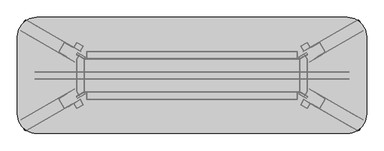
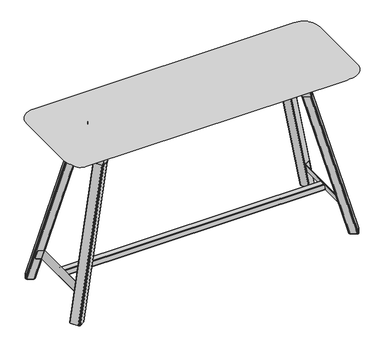
"""IFC4 building model written with IfcOpenShell, lengths in millimetres: furniture geometry."""

from ifc_helpers import new_model, si_unit, origin, place, context, project, spatial, triangles, source, transform, mapped, element, save


def furniture_5aee968c(model_context):
    return source(origin(), model_context, "Body", "Tessellation", [
        triangles([(88.2649976, -320.0399855, 155.5750061), (88.2649976, -289.5599964, 155.5750061), (1740.5350388, -289.5599964, 155.5750061), (1740.5350388, -320.0399855, 155.5750061), (1729.9689686, -320.0399855, 193.6750061), (1729.9689686, -289.5599964, 193.6750061), (98.8310678, -289.5599964, 193.6750061), (98.8310678, -320.0399855, 193.6750061), (1739.4784172, -323.85, 159.3850024), (1731.0255901, -323.85, 189.8649915), (97.7744553, -323.85, 189.8649915), (89.32161, -323.85, 159.3850024), (98.6852282, -321.971699, 193.1490026), (1730.1147446, -321.971699, 193.1489844), (1730.5045464, -323.3545361, 191.7438013), (98.2954264, -323.3545361, 191.7438013), (1730.1147446, -287.6282829, 193.1489844), (98.6852282, -287.628301, 193.1490026), (98.2954264, -286.2454458, 191.7438013), (1730.5045464, -286.2454458, 191.7438013), (1731.0255901, -285.75, 189.8649915), (97.7744553, -285.75, 189.8649915), (89.32161, -285.75, 159.3850024), (1739.4784172, -285.75, 159.3850024), (88.8006389, -323.3545361, 157.5061927), (1739.9993156, -323.3545361, 157.5061927), (1740.3891174, -321.971699, 156.1010096), (88.4108371, -321.971699, 156.1010096), (1739.9993156, -286.2454458, 157.5061927), (88.8006389, -286.2454458, 157.5061927), (88.4108371, -287.6282829, 156.1010096), (1740.3891174, -287.628301, 156.1010096), (1744.0125881, -114.3130715, 150.4950018), (1729.9196983, -122.191724, 201.3120944), (1729.9196983, -487.4082942, 201.3120944), (1744.0125881, -495.2869194, 150.4950018), (1726.3659908, -122.3311958, 201.2949988), (1740.4540844, -114.4525343, 150.4950018), (1740.4540844, -495.1474657, 150.4950018), (1726.3659908, -487.2688042, 201.2949988), (1763.0737793, -98.5706912, 196.6328742), (1764.7941685, -101.5368256, 196.6499516), (1773.9764568, -96.4304603, 158.5498063), (1772.2560677, -93.464335, 158.5327107), (1757.7668358, -101.6219857, 201.2949988), (1728.6066971, -118.5354609, 201.2949988), (1730.3270863, -121.5015862, 201.3120944), (1759.487225, -104.588111, 201.3120944), (1766.9808083, -96.5703773, 150.4950018), (1742.6947906, -110.6568085, 150.4950018), (1744.419976, -113.6229338, 150.4950018), (1768.7013428, -99.5365025, 150.5120883), (1726.9806335, -120.1348092, 201.2949988), (1730.0313194, -121.7926386, 201.3120944), (1761.2442398, -103.5708947, 200.9787754), (1759.5238506, -100.6047694, 200.9616979), (1761.0981731, -99.6972213, 199.9967495), (1762.8185623, -102.6633466, 200.0138452), (1764.0447956, -101.9607368, 198.5185876), (1762.3244064, -98.9946115, 198.501492), (1744.1242092, -113.9139861, 150.4950018), (1741.0722153, -112.2582369, 150.4950018), (1774.1749912, -96.326415, 156.6232706), (1772.4546021, -93.3602898, 156.6061749), (1772.1409584, -93.553165, 154.7019125), (1773.8613476, -96.5192903, 154.7190082), (1771.3444954, -94.0249748, 152.9975653), (1773.0648846, -96.9911001, 153.0146609), (1770.1393364, -94.7316904, 151.6521623), (1771.8598709, -97.6978248, 151.6692579), (1768.6381199, -95.607391, 150.7911956), (1770.3586544, -98.5735253, 150.8082912), (1772.2560677, -516.1356832, 158.5327107), (1773.9764568, -513.1695488, 158.5498063), (1764.7941685, -508.0631744, 196.6499516), (1763.0737793, -511.0293088, 196.6328742), (1759.487225, -505.0119072, 201.3120944), (1730.3270863, -488.0984047, 201.3120944), (1728.6066971, -491.0645391, 201.2949988), (1757.7668358, -507.9780052, 201.2949988), (1768.7013428, -510.0634884, 150.5120883), (1744.419976, -495.9770662, 150.4950018), (1742.6947906, -498.9432006, 150.4950018), (1766.9808083, -513.0296227, 150.4950018), (1730.0313194, -487.8073614, 201.3120944), (1726.9806335, -489.4651817, 201.2949988), (1759.5238506, -508.9952396, 200.9616979), (1761.2442398, -506.0291053, 200.9787754), (1762.8185623, -506.9366444, 200.0138452), (1761.0981731, -509.9027787, 199.9967495), (1762.3244064, -510.6053885, 198.501492), (1764.0447956, -507.6392541, 198.5185876), (1744.1242092, -495.6860229, 150.4950018), (1741.0722153, -497.3417722, 150.4950018), (1772.4546021, -516.2397102, 156.6061749), (1774.1749912, -513.2735759, 156.6232706), (1773.8613476, -513.0807097, 154.7190082), (1772.1409584, -516.0468441, 154.7019125), (1771.3444954, -515.5750342, 152.9975653), (1773.0648846, -512.6088999, 153.0146609), (1771.8598709, -511.9021843, 151.6692579), (1770.1393364, -514.8683187, 151.6521623), (1768.6381199, -513.992609, 150.7911956), (1770.3586544, -511.0264747, 150.8082912), (84.7958507, -495.2820868, 150.4950018), (98.8886769, -487.4034253, 201.3120944), (98.8886769, -122.1965656, 201.3120944), (84.7958507, -114.3179132, 150.4950018), (102.4423571, -487.2639716, 201.2949988), (88.3542636, -495.1426332, 150.4950018), (88.3542636, -114.457385, 150.4950018), (102.4423571, -122.3360375, 201.2949988), (56.5523121, -93.4691767, 158.5327107), (54.8318957, -96.4353019, 158.5498063), (64.0141704, -101.5416672, 196.6499516), (65.7345823, -98.5755419, 196.6328742), (69.3211412, -104.5929526, 201.3120944), (98.481289, -121.5064369, 201.3120944), (71.0415576, -101.6268273, 201.2949988), (100.2016963, -118.5403026, 201.2949988), (60.1071097, -99.5413532, 150.5120883), (84.3884628, -113.6277845, 150.4950018), (86.1136118, -110.6616501, 150.4950018), (61.8275215, -96.5752189, 150.4950018), (98.777083, -121.7974893, 201.3120944), (101.8277144, -120.1396599, 201.2949988), (69.2844973, -100.6096111, 200.9616979), (67.5640809, -103.5757454, 200.9787754), (65.9898084, -102.6681973, 200.0138452), (67.7102248, -99.7020629, 199.9967495), (66.4840097, -98.9994532, 198.501492), (64.7635932, -101.9655785, 198.5185876), (84.6842568, -113.9188369, 150.4950018), (87.7361145, -112.2630785, 150.4950018), (56.3537913, -93.3651314, 156.6061749), (54.6333749, -96.3312567, 156.6232706), (54.9469958, -96.524141, 154.7190082), (56.6674123, -93.5580066, 154.7019125), (57.4639116, -94.0298165, 152.9975653), (55.7434952, -96.9959418, 153.0146609), (56.9485679, -97.7026664, 151.6692579), (58.6689843, -94.7365321, 151.6521623), (60.1702054, -95.6122326, 150.7911956), (58.4497889, -98.578367, 150.8082912), (65.7345823, -511.0244762, 196.6328742), (64.0141704, -508.0583419, 196.6499516), (54.8318957, -513.1646799, 158.5498063), (56.5523121, -516.1308143, 158.5327107), (71.0415576, -507.9731727, 201.2949988), (100.2016963, -491.0597065, 201.2949988), (98.481289, -488.0935721, 201.3120944), (69.3211412, -505.0070383, 201.3120944), (61.8275215, -513.0247902, 150.4950018), (86.1136118, -498.9383317, 150.4950018), (84.3884628, -495.9722337, 150.4950018), (60.1071097, -510.0586558, 150.5120883), (98.777083, -487.8025289, 201.3120944), (101.8277144, -489.4603492, 201.2949988), (69.2844973, -508.9903708, 200.9616979), (67.5640809, -506.0242727, 200.9787754), (67.7102248, -509.8979462, 199.9967495), (65.9898084, -506.9318118, 200.0138452), (64.7635932, -507.6344215, 198.5185876), (66.4840097, -510.6005559, 198.501492), (84.6842568, -495.6811541, 150.4950018), (87.7361145, -497.3369033, 150.4950018), (54.6333749, -513.2687433, 156.6232706), (56.3537913, -516.2348777, 156.6061749), (56.6674123, -516.0419752, 154.7019125), (54.9469958, -513.0758772, 154.7190082), (55.7434952, -512.6040673, 153.0146609), (57.4639116, -515.5701653, 152.9975653), (58.6689843, -514.8634498, 151.6521623), (56.9485679, -511.8973517, 151.6692579), (58.4497889, -511.0216421, 150.8082912), (60.1702054, -513.9877765, 150.7911956), (349.2500121, -392.9380068, 965.2000242), (349.2500121, -216.6619932, 965.2000242), (1479.5499516, -216.6619932, 965.2000242), (1479.5499516, -392.9380068, 965.2000242), (1466.85, -392.9380068, 1027.3029922), (1466.85, -429.640999, 1027.3029922), (361.95, -429.640999, 1027.3029922), (361.95, -392.9380068, 1027.3029922), (1466.85, -429.640999, 1028.7), (361.95, -429.640999, 1028.7), (1466.85, -391.540999, 1028.7), (361.95, -216.6619932, 1027.3029922), (361.95, -179.959001, 1027.3029922), (1466.85, -179.959001, 1027.3029922), (1466.85, -216.6619932, 1027.3029922), (1466.85, -179.959001, 1028.7), (1466.85, -218.059001, 1028.7), (361.95, -179.959001, 1028.7), (1466.85, -216.6619932, 1025.5249758), (1466.85, -218.059001, 1025.5249758), (1479.5499516, -218.059001, 1025.5249758), (1479.5499516, -216.6619932, 1025.5249758), (361.95, -216.6619932, 1025.5249758), (1466.85, -392.9380068, 1025.5249758), (361.95, -392.9380068, 1025.5249758), (1479.5499516, -392.9380068, 1025.5249758), (1479.5499516, -391.540999, 1025.5249758), (1466.85, -391.540999, 1025.5249758), (274.242036, -390.5990144, 920.2673744), (233.1529743, -414.3218033, 920.2673744), (259.1258439, -399.3263523, 1028.4110641), (300.2149056, -375.6035634, 1028.4110641), (261.3502357, -468.4326356, 920.2673744), (286.8045868, -453.7365486, 1026.252039), (232.1402454, -417.8394301, 920.2673744), (257.5945783, -403.1433432, 1026.252039), (295.2752543, -451.7789646, 1026.252039), (264.9029622, -469.3144132, 920.2673744), (305.9920421, -445.5916243, 920.2673744), (329.9851633, -431.7391631, 1026.252039), (307.0047709, -442.0739611, 920.2673744), (277.7947625, -391.4807556, 920.2673744), (332.9776405, -427.0785464, 1028.4110641), (303.7676321, -376.485341, 1028.4110641), (312.5065427, -425.9926025, 965.0163872), (354.7983653, -401.5753793, 964.94597), (354.7983653, -401.5753793, 1028.4110641), (327.7320305, -417.2021507, 1028.4110641), (310.7057442, -478.5053493, 1028.4110641), (310.7057442, -478.5053493, 1026.252039), (345.4156895, -458.4655841, 1026.252039), (345.4156895, -458.4655841, 1028.4110641), (245.2777247, -477.7120837, 1026.252039), (245.2777247, -477.7120837, 1028.4110641), (216.0677344, -427.1188783, 1028.4110641), (216.0677344, -427.1188783, 1026.252039), (361.95, -391.540999, 1028.7), (289.5850312, -454.6828208, 1028.4110641), (263.6121616, -469.6782354, 920.2673744), (290.8758317, -454.3189622, 1028.4110641), (262.3092978, -469.3659362, 920.2673744), (288.2821674, -454.3704852, 1028.4110641), (287.3231053, -453.4371846, 1028.4110641), (257.7843741, -401.5467473, 1028.4110641), (231.8114864, -416.5421983, 920.2673744), (258.113115, -402.8439792, 1028.4110641), (232.1924588, -415.25772, 920.2673744), (258.1653284, -400.2623054, 1028.4110641), (333.3063995, -428.375742, 1028.4110641), (307.3335299, -443.3711929, 920.2673744), (306.9525576, -444.6556712, 920.2673744), (332.9254272, -429.6602202, 1028.4110641), (331.9649117, -430.5961733, 1028.4110641), (295.2752543, -451.7789646, 1028.4110641), (329.9851633, -431.7391631, 1028.4110641), (301.5057243, -375.2397048, 1028.4110641), (275.5328547, -390.2351558, 920.2673744), (276.8357185, -390.547455, 920.2673744), (302.8085881, -375.5520041, 1028.4110641), (300.2149056, -233.9964366, 1028.4110641), (259.1258439, -210.2736659, 1028.4110641), (233.1529743, -195.2782149, 920.2673744), (274.242036, -219.0010038, 920.2673744), (232.1402454, -191.7605699, 920.2673744), (257.5945783, -206.4566568, 1026.252039), (286.8045868, -155.8634514, 1026.252039), (261.3502357, -141.1673735, 920.2673744), (329.9851633, -177.8608369, 1026.252039), (305.9920421, -164.0083939, 920.2673744), (264.9029622, -140.2855959, 920.2673744), (295.2752543, -157.8210354, 1026.252039), (332.9776405, -182.5214717, 1028.4110641), (303.7676321, -233.1146772, 1028.4110641), (277.7947625, -218.1192262, 920.2673744), (307.0047709, -167.5260208, 920.2673744), (216.0677344, -182.4811036, 1026.252039), (216.0677344, -182.4811036, 1028.4110641), (245.2777247, -131.8879072, 1028.4110641), (245.2777247, -131.8879072, 1026.252039), (290.8758317, -155.2810378, 1028.4110641), (263.6121616, -139.9217464, 920.2673744), (289.5850312, -154.9171974, 1028.4110641), (262.3092978, -140.2340547, 920.2673744), (288.2821674, -155.2294966, 1028.4110641), (287.3231053, -156.1628154, 1028.4110641), (258.113115, -206.7560208, 1028.4110641), (231.8114864, -193.0578017, 920.2673744), (257.7843741, -208.0532345, 1028.4110641), (258.1653284, -209.3377128, 1028.4110641), (232.1924588, -194.3422618, 920.2673744), (307.3335299, -166.2288071, 920.2673744), (333.3063995, -181.2242399, 1028.4110641), (306.9525576, -164.9443288, 920.2673744), (332.9254272, -179.9397798, 1028.4110641), (331.9649117, -179.0038267, 1028.4110641), (275.5328547, -219.3648442, 920.2673744), (301.5057243, -234.3602952, 1028.4110641), (302.8085881, -234.0479959, 1028.4110641), (276.8357185, -219.052545, 920.2673744), (263.4104842, -467.6830811, 920.2673744), (233.8194852, -416.4299595, 920.2673744), (305.325513, -443.4834317, 920.2673744), (275.734514, -392.2303102, 920.2673744), (233.8194852, -193.1700223, 920.2673744), (263.4104842, -141.9169189, 920.2673744), (305.325513, -166.1165683, 920.2673744), (275.734514, -217.3696898, 920.2673744), (361.95, -218.059001, 1028.7), (361.95, -218.059001, 1025.5249758), (349.2500121, -216.6619932, 1025.5249758), (349.2500121, -218.059001, 1025.5249758), (349.2500121, -392.9380068, 1025.5249758), (361.95, -391.540999, 1025.5249758), (349.2500121, -391.540999, 1025.5249758), (345.4156895, -151.134425, 1028.4110641), (345.4156895, -151.134425, 1026.252039), (310.7057442, -131.0946326, 1026.252039), (310.7057442, -131.0946326, 1028.4110641), (295.2752543, -157.8210354, 1028.4110641), (329.9851633, -177.8608369, 1028.4110641), (349.2500121, -392.9380068, 1028.6650457), (349.2500121, -392.9380068, 964.94597), (327.7320305, -192.3978493, 1028.4110641), (354.7983653, -208.0246207, 1028.4110641), (312.5065427, -183.6073975, 965.0163872), (354.7983653, -208.0246207, 964.94597), (349.2500121, -216.6619932, 964.94597), (349.2500121, -216.6619932, 1028.6650457), (307.7187535, -417.7582941, 964.9110884), (307.7187535, -191.8416877, 964.9110884), (322.168998, -200.6245092, 1026.5060932), (311.1500121, -219.7100085, 1026.5060932), (311.1500121, -389.8900097, 1026.5060932), (322.168998, -408.975509, 1026.5060932), (322.3595023, -409.305467, 1026.1250845), (311.1500121, -389.8900097, 1028.6650457), (311.1500121, -219.7100085, 1028.6650457), (350.5199927, -218.2918174, 1026.5060932), (350.5199927, -218.2796815, 1028.6650457), (350.5199927, -391.3203366, 1028.6650457), (350.5199927, -391.3081644, 1026.5060932), (322.168998, -200.6245092, 1028.6650457), (322.168998, -408.975509, 1028.6650457), (322.3595023, -200.2945511, 1026.1250845), (349.2500121, -216.6619932, 1026.5060932), (349.2500121, -392.9380068, 1026.5060932), (348.1704995, -217.7697563, 1025.5249758), (324.551992, -204.1335792, 1025.5249758), (309.7725526, -195.6006879, 970.2558929), (322.6442596, -203.0321566, 1023.8499327), (311.680285, -196.7021287, 967.3589767), (348.1704995, -217.7697563, 967.3589767), (348.8690034, -216.5599101, 1025.5249758), (325.2504596, -202.9237511, 1025.5249758), (323.3427272, -201.8223285, 1023.8499327), (310.4710565, -194.3908599, 970.2558929), (349.0527858, -216.6360319, 1025.5249758), (348.6912163, -217.9854408, 1025.5249758), (349.2500121, -216.6619932, 967.3589767), (349.0527858, -216.6360319, 967.3589767), (348.8690034, -216.5599101, 967.3589767), (348.6912163, -217.9854408, 967.3589767), (349.2500121, -218.059001, 967.3589767), (312.3787889, -195.4922825, 967.3589767), (309.701881, -195.5598837, 969.5618946), (311.0822474, -196.3568373, 967.4658016), (309.8160456, -195.6257954, 968.875672), (310.5400566, -196.0438113, 967.7762478), (310.1044364, -195.7922823, 968.2613199), (310.4003849, -194.3500375, 969.5618946), (310.5145494, -194.4159674, 968.875672), (310.8029403, -194.5824543, 968.2613199), (311.2385605, -194.8339651, 967.7762478), (311.7807512, -195.1469911, 967.4658016), (324.6181944, -202.5587116, 1025.4052883), (323.9196905, -203.7685397, 1025.4052883), (324.0521679, -202.2318965, 1025.0586525), (323.353664, -203.4417428, 1025.0586525), (323.6116061, -201.9775516, 1024.521476), (322.9131022, -203.1873978, 1024.521476), (349.2500121, -218.059001, 966.597032), (349.2500121, -391.540999, 966.597032), (349.2500121, -392.9380068, 967.3589767), (349.2500121, -391.540999, 967.3589767), (309.7725526, -413.9992939, 970.2558929), (310.4710565, -415.2091401, 970.2558929), (323.3427272, -407.7776896, 1023.8499327), (322.6442596, -406.5678434, 1023.8499327), (324.551992, -405.4664208, 1025.5249758), (325.2504596, -406.6762671, 1025.5249758), (348.8690034, -393.0400718, 1025.5249758), (348.1704995, -391.8302619, 1025.5249758), (348.6912163, -391.6145774, 1025.5249758), (349.0527858, -392.96395, 1025.5249758), (348.6912163, -391.6145774, 967.3589767), (348.1704995, -391.8302619, 967.3589767), (311.680285, -412.8978713, 967.3589767), (312.3787889, -414.1077175, 967.3589767), (348.8690034, -393.0400718, 967.3589767), (349.0527858, -392.96395, 967.3589767), (323.9196905, -405.8314422, 1025.4052883), (324.6181944, -407.0412884, 1025.4052883), (323.353664, -406.1582754, 1025.0586525), (324.0521679, -407.3680853, 1025.0586525), (322.9131022, -406.4126204, 1024.521476), (323.6116061, -407.6224302, 1024.521476), (311.7807512, -414.4530089, 967.4658016), (310.4003849, -415.2499443, 969.5618946), (310.5145494, -415.1840326, 968.875672), (311.2385605, -414.7660349, 967.7762478), (310.8029403, -415.0175457, 968.2613199), (309.701881, -414.0401344, 969.5618946), (309.8160456, -413.9741864, 968.875672), (310.1044364, -413.8076995, 968.2613199), (310.5400566, -413.5561887, 967.7762478), (311.0822474, -413.2431627, 967.4658016), (1480.6295368, -391.8302619, 1025.5249758), (1504.248008, -405.4664208, 1025.5249758), (1506.1557404, -406.5678434, 1023.8499327), (1519.0274837, -413.9992939, 970.2558929), (1517.1197514, -412.8978713, 967.3589767), (1480.6295368, -391.8302619, 967.3589767), (1479.9310329, -393.0400718, 1025.5249758), (1503.5495041, -406.6762671, 1025.5249758), (1505.4572365, -407.7776896, 1023.8499327), (1518.3289799, -415.2091401, 970.2558929), (1479.7471779, -392.96395, 1025.5249758), (1480.1087837, -391.6145774, 1025.5249758), (1479.5499516, -392.9380068, 967.3589767), (1479.7471779, -392.96395, 967.3589767), (1479.9310329, -393.0400718, 967.3589767), (1480.1087837, -391.6145774, 967.3589767), (1479.5499516, -391.540999, 967.3589767), (1516.4212475, -414.1077175, 967.3589767), (1519.098119, -414.0401344, 969.5618946), (1517.7178253, -413.2431627, 967.4658016), (1518.9838818, -413.9741864, 968.875672), (1518.2599434, -413.5561887, 967.7762478), (1518.6955273, -413.8076995, 968.2613199), (1518.3996151, -415.2499443, 969.5618946), (1518.2853779, -415.1840326, 968.875672), (1517.9970234, -415.0175457, 968.2613199), (1517.5614395, -414.7660349, 967.7762478), (1517.0193214, -414.4530089, 967.4658016), (1504.1817329, -407.0412884, 1025.4052883), (1504.8802368, -405.8314422, 1025.4052883), (1504.7478321, -407.3680853, 1025.0586525), (1505.446336, -406.1582754, 1025.0586525), (1505.1883575, -407.6224302, 1024.521476), (1505.8868614, -406.4126204, 1024.521476), (1479.5499516, -391.540999, 966.597032), (1479.5499516, -218.059001, 966.597032), (1479.5499516, -216.6619932, 967.3589767), (1479.5499516, -218.059001, 967.3589767), (1519.0274837, -195.6006879, 970.2558929), (1518.3289799, -194.3908599, 970.2558929), (1506.1557404, -203.0321566, 1023.8499327), (1505.4572365, -201.8223104, 1023.8499327), (1504.248008, -204.1335792, 1025.5249758), (1503.5495041, -202.9237511, 1025.5249758), (1479.9310329, -216.5599101, 1025.5249758), (1480.6295368, -217.7697563, 1025.5249758), (1480.1087837, -217.9854408, 1025.5249758), (1479.7471779, -216.6360319, 1025.5249758), (1480.1087837, -217.9854408, 967.3589767), (1480.6295368, -217.7697563, 967.3589767), (1517.1197514, -196.7021287, 967.3589767), (1516.4212475, -195.4922825, 967.3589767), (1479.9310329, -216.5599101, 967.3589767), (1479.7471779, -216.6360319, 967.3589767), (1504.8802368, -203.7685397, 1025.4052883), (1504.1817329, -202.5587116, 1025.4052883), (1505.446336, -203.4417428, 1025.0586525), (1504.7478321, -202.2318965, 1025.0586525), (1505.8868614, -203.1873978, 1024.521476), (1505.1883575, -201.9775516, 1024.521476), (1518.3996151, -194.3500375, 969.5618946), (1517.0193214, -195.1469911, 967.4658016), (1518.2853779, -194.4159492, 968.875672), (1517.5614395, -194.8339651, 967.7762478), (1517.9970234, -194.5824543, 968.2613199), (1519.098119, -195.5598837, 969.5618946), (1518.9838818, -195.6257954, 968.875672), (1518.6955273, -195.7922823, 968.2613199), (1518.2599434, -196.0437932, 967.7762478), (1517.7178253, -196.3568191, 967.4658016), (1554.5580185, -219.0010038, 920.2673744), (1595.6470802, -195.2782149, 920.2673744), (1569.6741016, -210.2736659, 1028.4110641), (1528.5850399, -233.9964548, 1028.4110641), (1567.4498188, -141.1673735, 920.2673744), (1541.9954132, -155.8634514, 1026.252039), (1571.2054035, -206.4566568, 1026.252039), (1596.6598091, -191.7605699, 920.2673744), (1533.5247093, -157.8210536, 1026.252039), (1563.8969833, -140.2855959, 920.2673744), (1522.8079216, -164.0083939, 920.2673744), (1498.814764, -177.8608369, 1026.252039), (1521.7951927, -167.5260208, 920.2673744), (1551.005183, -218.1192262, 920.2673744), (1525.0323498, -233.1146772, 1028.4110641), (1495.8223595, -182.5214717, 1028.4110641), (1516.2934937, -183.6073975, 965.0163872), (1474.0015984, -208.0246207, 964.94597), (1501.0679695, -192.3978674, 1028.4110641), (1474.0015984, -208.0246207, 1028.4110641), (1518.0942558, -131.0946326, 1028.4110641), (1518.0942558, -131.0946326, 1026.252039), (1483.3843105, -151.134425, 1026.252039), (1483.3843105, -151.134425, 1028.4110641), (1583.5222389, -131.8879072, 1026.252039), (1583.5222389, -131.8879072, 1028.4110641), (1612.7322292, -182.4811036, 1028.4110641), (1612.7322292, -182.4811036, 1026.252039), (1539.2149143, -154.9171974, 1028.4110641), (1565.1878929, -139.9217464, 920.2673744), (1537.9241501, -155.2810378, 1028.4110641), (1566.4907204, -140.2340547, 920.2673744), (1540.5178871, -155.2294966, 1028.4110641), (1541.4768402, -156.1628154, 1028.4110641), (1571.0155895, -208.0532345, 1028.4110641), (1596.9885681, -193.0578017, 920.2673744), (1570.6868305, -206.7560208, 1028.4110641), (1596.6074867, -194.3422618, 920.2673744), (1570.6346535, -209.3377128, 1028.4110641), (1495.4936005, -181.224258, 1028.4110641), (1521.4664337, -166.2288071, 920.2673744), (1521.8475151, -164.9443288, 920.2673744), (1495.8745365, -179.9397798, 1028.4110641), (1496.8350883, -179.0038267, 1028.4110641), (1533.5247093, -157.8210536, 1028.4110641), (1498.814764, -177.8608369, 1028.4110641), (1527.2942757, -234.3602952, 1028.4110641), (1553.2671089, -219.3648442, 920.2673744), (1551.9642815, -219.052545, 920.2673744), (1525.9914482, -234.0479959, 1028.4110641), (1528.5850399, -375.6035634, 1028.4110641), (1569.6741016, -399.3263523, 1028.4110641), (1595.6470802, -414.3218033, 920.2673744), (1554.5580185, -390.5990144, 920.2673744), (1596.6598091, -417.8394301, 920.2673744), (1571.2054035, -403.1433432, 1026.252039), (1567.4498188, -468.4326356, 920.2673744), (1541.9954132, -453.7365486, 1026.252039), (1498.814764, -431.7391631, 1026.252039), (1522.8079216, -445.5916243, 920.2673744), (1563.8969833, -469.3144132, 920.2673744), (1533.5247093, -451.7789646, 1026.252039), (1495.8223595, -427.0785464, 1028.4110641), (1525.0323498, -376.485341, 1028.4110641), (1551.005183, -391.4807556, 920.2673744), (1521.7951927, -442.0739611, 920.2673744), (1612.7322292, -427.1188783, 1026.252039), (1612.7322292, -427.1188783, 1028.4110641), (1583.5222389, -477.7120837, 1028.4110641), (1583.5222389, -477.7120837, 1026.252039), (1537.9241501, -454.3189622, 1028.4110641), (1565.1878929, -469.6782718, 920.2673744), (1539.2149143, -454.6828208, 1028.4110641), (1540.5178871, -454.3704852, 1028.4110641), (1566.4907204, -469.3659362, 920.2673744), (1541.4768402, -453.4371846, 1028.4110641), (1570.6868305, -402.8439792, 1028.4110641), (1596.9885681, -416.5421983, 920.2673744), (1571.0155895, -401.5467473, 1028.4110641), (1596.6074867, -415.25772, 920.2673744), (1570.6346535, -400.2623054, 1028.4110641), (1521.4664337, -443.3711929, 920.2673744), (1495.4936005, -428.375742, 1028.4110641), (1495.8745365, -429.6602202, 1028.4110641), (1521.8475151, -444.6556712, 920.2673744), (1496.8350883, -430.5961733, 1028.4110641), (1553.2671089, -390.2351558, 920.2673744), (1527.2942757, -375.2397048, 1028.4110641), (1551.9642815, -390.547455, 920.2673744), (1525.9914482, -375.5520041, 1028.4110641), (1565.3894794, -141.9169189, 920.2673744), (1594.9805511, -193.1700405, 920.2673744), (1523.4744507, -166.1165683, 920.2673744), (1553.0655224, -217.3696898, 920.2673744), (1594.9805511, -416.4299595, 920.2673744), (1565.3894794, -467.6830811, 920.2673744), (1523.4744507, -443.4834317, 920.2673744), (1553.0655224, -392.2303102, 920.2673744), (1483.3843105, -458.4655841, 1028.4110641), (1483.3843105, -458.4655841, 1026.252039), (1518.0942558, -478.5053493, 1028.4110641), (1518.0942558, -478.5053493, 1026.252039), (1533.5247093, -451.7789646, 1028.4110641), (1498.814764, -431.7391631, 1028.4110641), (1479.5499516, -216.6619932, 1028.6650457), (1479.5499516, -216.6619932, 964.94597), (1501.0679695, -417.2021507, 1028.4110641), (1474.0015984, -401.5753793, 1028.4110641), (1474.0015984, -401.5753793, 964.94597), (1516.2934937, -425.9926025, 965.0163872), (1479.5499516, -392.9380068, 964.94597), (1479.5499516, -392.9380068, 1028.6650457), (1521.0812828, -191.8417059, 964.9110884), (1521.0812828, -417.7582941, 964.9110884), (1506.631002, -408.975509, 1026.5060932), (1517.6499516, -389.8900097, 1026.5060932), (1517.6499516, -219.7100085, 1026.5060932), (1506.631002, -200.6245092, 1026.5060932), (1506.4404613, -200.2945511, 1026.1250845), (1517.6499516, -219.7100085, 1028.6650457), (1517.6499516, -389.8900097, 1028.6650457), (1478.2799709, -391.3081644, 1026.5060932), (1478.2799709, -391.3203366, 1028.6650457), (1478.2799709, -218.2796815, 1028.6650457), (1478.2799709, -218.2918174, 1026.5060932), (1506.631002, -408.975509, 1028.6650457), (1506.631002, -200.6245092, 1028.6650457), (1506.4404613, -409.305467, 1026.1250845), (1479.5499516, -392.9380068, 1026.5060932), (1479.5499516, -216.6619932, 1026.5060932)], [[1, 2, 3], [1, 3, 4], [5, 6, 7], [5, 7, 8], [9, 10, 11], [9, 11, 12], [5, 8, 13], [5, 13, 14], [13, 14, 15], [13, 15, 16], [15, 16, 11], [15, 11, 10], [17, 18, 7], [17, 7, 6], [19, 20, 17], [19, 17, 18], [21, 22, 19], [21, 19, 20], [23, 22, 21], [23, 21, 24], [9, 12, 25], [9, 25, 26], [25, 26, 27], [25, 27, 28], [27, 28, 1], [27, 1, 4], [29, 30, 23], [29, 23, 24], [31, 32, 29], [31, 29, 30], [3, 2, 31], [3, 31, 32], [33, 34, 35], [33, 35, 36], [37, 38, 39], [37, 39, 40], [41, 42, 43], [41, 43, 44], [45, 46, 47], [45, 47, 48], [49, 50, 51], [49, 51, 52], [47, 46, 53], [47, 53, 54], [53, 54, 34], [53, 34, 37], [34, 37, 40], [34, 40, 35], [45, 48, 55], [45, 55, 56], [55, 56, 57], [55, 57, 58], [57, 58, 59], [57, 59, 60], [59, 60, 42], [60, 41, 42], [48, 47, 51], [48, 51, 52], [34, 33, 61], [34, 61, 54], [61, 54, 47], [61, 47, 51], [51, 50, 62], [51, 62, 61], [62, 61, 33], [62, 33, 38], [38, 33, 36], [38, 36, 39], [46, 50, 62], [46, 62, 53], [62, 53, 37], [62, 37, 38], [44, 43, 63], [44, 63, 64], [63, 64, 65], [63, 65, 66], [65, 66, 67], [66, 68, 67], [68, 67, 69], [68, 69, 70], [69, 70, 71], [70, 72, 71], [72, 71, 49], [72, 49, 52], [48, 52, 72], [48, 72, 70], [42, 59, 43], [59, 63, 43], [48, 70, 68], [48, 68, 55], [68, 55, 58], [68, 58, 66], [58, 66, 63], [58, 63, 59], [46, 45, 49], [46, 49, 50], [73, 74, 75], [73, 75, 76], [77, 78, 79], [77, 79, 80], [81, 82, 83], [81, 83, 84], [85, 86, 79], [85, 79, 78], [40, 35, 85], [40, 85, 86], [87, 88, 80], [88, 77, 80], [89, 90, 87], [89, 87, 88], [91, 92, 90], [92, 89, 90], [75, 76, 91], [75, 91, 92], [81, 82, 78], [81, 78, 77], [85, 93, 35], [93, 36, 35], [82, 78, 93], [78, 85, 93], [93, 94, 83], [93, 83, 82], [39, 36, 93], [39, 93, 94], [86, 94, 83], [86, 83, 79], [39, 40, 86], [39, 86, 94], [95, 96, 74], [95, 74, 73], [97, 98, 95], [97, 95, 96], [99, 100, 97], [99, 97, 98], [101, 102, 99], [101, 99, 100], [103, 104, 101], [103, 101, 102], [81, 84, 103], [81, 103, 104], [101, 104, 77], [104, 81, 77], [74, 96, 75], [96, 92, 75], [88, 100, 77], [100, 101, 77], [97, 89, 100], [89, 88, 100], [92, 96, 89], [96, 97, 89], [83, 84, 80], [83, 80, 79], [105, 106, 107], [105, 107, 108], [109, 110, 111], [109, 111, 112], [113, 114, 115], [113, 115, 116], [117, 118, 119], [118, 120, 119], [121, 122, 123], [121, 123, 124], [125, 126, 120], [125, 120, 118], [112, 107, 125], [112, 125, 126], [106, 109, 112], [106, 112, 107], [127, 128, 117], [127, 117, 119], [129, 130, 127], [129, 127, 128], [131, 132, 129], [131, 129, 130], [115, 116, 131], [115, 131, 132], [121, 122, 118], [121, 118, 117], [125, 133, 108], [125, 108, 107], [122, 118, 125], [122, 125, 133], [133, 134, 123], [133, 123, 122], [111, 108, 133], [111, 133, 134], [110, 105, 108], [110, 108, 111], [126, 134, 123], [126, 123, 120], [111, 112, 126], [111, 126, 134], [135, 136, 114], [135, 114, 113], [137, 138, 135], [137, 135, 136], [139, 140, 137], [139, 137, 138], [141, 142, 139], [141, 139, 140], [143, 144, 141], [143, 141, 142], [121, 124, 143], [121, 143, 144], [141, 144, 121], [141, 121, 117], [114, 136, 132], [114, 132, 115], [128, 140, 141], [128, 141, 117], [137, 129, 128], [137, 128, 140], [132, 136, 137], [132, 137, 129], [123, 124, 120], [124, 119, 120], [145, 146, 147], [145, 147, 148], [149, 150, 151], [149, 151, 152], [153, 154, 155], [153, 155, 156], [151, 150, 157], [150, 158, 157], [158, 157, 106], [158, 106, 109], [149, 152, 159], [152, 160, 159], [160, 159, 161], [160, 161, 162], [161, 162, 163], [161, 163, 164], [163, 164, 145], [163, 145, 146], [152, 151, 155], [152, 155, 156], [106, 105, 165], [106, 165, 157], [165, 157, 151], [165, 151, 155], [155, 154, 165], [154, 166, 165], [166, 165, 105], [166, 105, 110], [150, 154, 166], [150, 166, 158], [166, 158, 109], [166, 109, 110], [148, 147, 167], [148, 167, 168], [167, 168, 169], [167, 169, 170], [169, 170, 171], [169, 171, 172], [171, 172, 173], [171, 173, 174], [173, 174, 175], [173, 175, 176], [175, 176, 153], [175, 153, 156], [152, 156, 175], [152, 175, 174], [146, 163, 147], [163, 167, 147], [152, 174, 171], [152, 171, 160], [171, 160, 162], [171, 162, 170], [162, 170, 167], [162, 167, 163], [150, 149, 153], [150, 153, 154], [177, 178, 179], [177, 179, 180], [181, 182, 183], [181, 183, 184], [182, 185, 186], [182, 186, 183], [187, 185, 181], [185, 182, 181], [188, 189, 190], [188, 190, 191], [191, 190, 192], [191, 192, 193], [189, 194, 192], [189, 192, 190], [191, 193, 195], [193, 196, 195], [197, 198, 195], [197, 195, 196], [179, 195, 198], [199, 188, 191], [199, 191, 195], [195, 179, 178], [195, 178, 199], [200, 180, 177], [200, 177, 201], [180, 200, 202], [202, 203, 204], [202, 204, 200], [200, 204, 187], [200, 187, 181], [184, 201, 200], [184, 200, 181], [205, 206, 207], [205, 207, 208], [209, 210, 211], [210, 212, 211], [213, 214, 215], [213, 215, 216], [217, 218, 219], [218, 220, 219], [221, 222, 223], [221, 223, 224], [225, 226, 227], [225, 227, 228], [229, 230, 231], [229, 231, 232], [184, 183, 186], [184, 186, 233], [234, 235, 214], [234, 214, 236], [237, 238, 234], [237, 234, 235], [239, 209, 237], [239, 237, 238], [240, 241, 211], [240, 211, 242], [243, 244, 240], [243, 240, 241], [207, 206, 243], [207, 243, 244], [210, 239, 230], [210, 230, 229], [212, 242, 231], [212, 231, 232], [210, 229, 232], [210, 232, 212], [245, 246, 217], [245, 217, 219], [247, 248, 246], [248, 245, 246], [249, 215, 247], [249, 247, 248], [213, 226, 225], [213, 225, 250], [228, 227, 216], [228, 216, 251], [252, 253, 205], [252, 205, 208], [254, 255, 253], [255, 252, 253], [220, 218, 254], [220, 254, 255], [256, 257, 258], [256, 258, 259], [260, 261, 262], [260, 262, 263], [264, 265, 266], [264, 266, 267], [268, 269, 270], [268, 270, 271], [272, 273, 274], [272, 274, 275], [276, 266, 277], [276, 277, 278], [277, 278, 279], [278, 280, 279], [280, 279, 263], [280, 263, 281], [282, 260, 283], [282, 283, 284], [283, 284, 285], [283, 285, 286], [285, 286, 258], [285, 258, 257], [275, 274, 281], [275, 281, 262], [272, 273, 282], [272, 282, 261], [261, 272, 275], [261, 275, 262], [268, 271, 287], [268, 287, 288], [287, 288, 289], [288, 290, 289], [290, 289, 265], [290, 265, 291], [256, 259, 292], [256, 292, 293], [292, 293, 294], [292, 294, 295], [294, 295, 270], [294, 270, 269], [296, 209, 297], [209, 211, 297], [214, 296, 215], [296, 298, 215], [235, 214, 296], [237, 235, 296], [209, 237, 296], [217, 298, 299], [217, 299, 218], [246, 217, 298], [247, 246, 298], [215, 247, 298], [299, 218, 254], [299, 254, 253], [299, 253, 205], [206, 297, 299], [206, 299, 205], [241, 211, 297], [243, 241, 297], [206, 243, 297], [300, 260, 263], [300, 263, 301], [265, 302, 301], [265, 301, 266], [301, 266, 277], [301, 277, 279], [301, 279, 263], [270, 303, 302], [270, 302, 271], [302, 271, 287], [302, 287, 289], [302, 289, 265], [295, 270, 303], [292, 295, 303], [259, 292, 303], [259, 303, 300], [259, 300, 258], [300, 260, 283], [300, 283, 286], [300, 286, 258], [304, 194, 189], [304, 189, 188], [199, 305, 304], [199, 304, 188], [305, 199, 306], [305, 306, 307], [306, 199, 178], [308, 201, 177], [201, 309, 310], [201, 310, 308], [184, 233, 309], [184, 309, 201], [213, 216, 227], [213, 227, 226], [311, 312, 313], [311, 313, 314], [315, 314, 313], [315, 313, 267], [316, 264, 312], [316, 312, 311], [313, 312, 264], [313, 264, 267], [214, 213, 250], [214, 250, 236], [251, 216, 249], [216, 215, 249], [266, 276, 315], [266, 315, 267], [264, 316, 291], [265, 264, 291], [317, 223, 222], [317, 222, 318], [319, 320, 321], [320, 322, 321], [323, 322, 320], [323, 320, 324], [325, 318, 222], [325, 222, 221], [323, 326, 321], [323, 321, 322], [327, 328, 329], [327, 329, 330], [331, 317, 318], [331, 318, 325], [329, 332, 333], [329, 333, 328], [334, 335, 336], [334, 336, 337], [328, 333, 338], [328, 338, 327], [332, 329, 339], [329, 330, 339], [327, 334, 337], [327, 337, 330], [324, 340, 326], [324, 326, 323], [339, 330, 337], [339, 337, 336], [335, 334, 327], [335, 327, 338], [324, 335, 334], [324, 334, 341], [337, 336, 317], [337, 317, 342], [343, 344, 345], [344, 346, 345], [345, 347, 343], [347, 348, 343], [343, 349, 350], [343, 350, 344], [346, 351, 352], [346, 352, 345], [307, 306, 353], [307, 353, 354], [343, 354, 353], [343, 353, 349], [353, 306, 355], [353, 355, 356], [356, 357, 353], [357, 349, 353], [307, 354, 358], [307, 358, 359], [348, 358, 354], [348, 354, 343], [347, 360, 348], [360, 357, 348], [358, 348, 357], [358, 357, 356], [358, 356, 355], [358, 355, 359], [347, 345, 361], [347, 361, 362], [361, 363, 364], [361, 364, 362], [363, 365, 364], [345, 352, 366], [345, 366, 361], [361, 366, 367], [361, 367, 363], [363, 367, 368], [363, 368, 365], [365, 368, 369], [365, 369, 364], [364, 369, 370], [364, 370, 362], [362, 370, 360], [362, 360, 347], [349, 357, 360], [349, 360, 352], [352, 360, 370], [352, 370, 366], [366, 370, 369], [366, 369, 367], [367, 369, 368], [349, 352, 350], [352, 351, 350], [344, 350, 371], [344, 371, 372], [372, 371, 373], [372, 373, 374], [374, 373, 375], [374, 375, 376], [376, 375, 351], [376, 351, 346], [350, 351, 375], [350, 375, 371], [371, 375, 373], [372, 374, 376], [344, 372, 376], [344, 376, 346], [377, 178, 378], [178, 177, 378], [359, 355, 178], [359, 178, 377], [378, 177, 379], [378, 379, 380], [381, 382, 383], [381, 383, 384], [385, 386, 387], [385, 387, 388], [308, 310, 389], [308, 389, 390], [390, 389, 388], [390, 388, 387], [389, 310, 380], [389, 380, 391], [391, 392, 389], [392, 388, 389], [384, 385, 381], [385, 388, 381], [393, 381, 388], [393, 388, 392], [394, 393, 395], [393, 392, 395], [395, 392, 391], [395, 391, 396], [396, 391, 380], [396, 380, 379], [396, 379, 308], [396, 308, 390], [390, 387, 395], [390, 395, 396], [387, 386, 383], [387, 383, 382], [382, 394, 387], [394, 395, 387], [386, 385, 397], [386, 397, 398], [398, 397, 399], [398, 399, 400], [400, 399, 401], [400, 401, 402], [402, 401, 384], [402, 384, 383], [385, 384, 401], [385, 401, 397], [397, 401, 399], [398, 400, 402], [386, 398, 402], [386, 402, 383], [394, 382, 403], [382, 404, 403], [404, 405, 406], [404, 406, 403], [405, 407, 406], [382, 381, 408], [382, 408, 404], [404, 408, 409], [404, 409, 405], [405, 409, 410], [405, 410, 407], [407, 410, 411], [407, 411, 406], [406, 411, 412], [406, 412, 403], [403, 412, 393], [403, 393, 394], [381, 393, 412], [381, 412, 408], [408, 412, 411], [408, 411, 409], [409, 411, 410], [413, 414, 415], [413, 415, 416], [416, 417, 418], [416, 418, 413], [413, 419, 414], [419, 420, 414], [415, 421, 422], [415, 422, 416], [203, 202, 423], [203, 423, 424], [413, 424, 423], [413, 423, 419], [423, 202, 425], [423, 425, 426], [426, 427, 419], [426, 419, 423], [203, 424, 428], [203, 428, 429], [418, 428, 413], [428, 424, 413], [417, 430, 427], [417, 427, 418], [428, 418, 427], [428, 427, 426], [428, 426, 429], [426, 425, 429], [417, 416, 431], [417, 431, 432], [431, 433, 434], [431, 434, 432], [433, 435, 434], [416, 422, 436], [416, 436, 431], [431, 436, 437], [431, 437, 433], [433, 437, 438], [433, 438, 435], [435, 438, 439], [435, 439, 434], [434, 439, 440], [434, 440, 432], [432, 440, 430], [432, 430, 417], [419, 427, 422], [427, 430, 422], [422, 430, 440], [422, 440, 436], [436, 440, 439], [436, 439, 437], [437, 439, 438], [419, 422, 421], [419, 421, 420], [414, 420, 441], [414, 441, 442], [442, 441, 443], [442, 443, 444], [444, 443, 445], [444, 445, 446], [446, 445, 421], [446, 421, 415], [420, 421, 445], [420, 445, 441], [441, 445, 443], [442, 444, 446], [414, 442, 446], [414, 446, 415], [447, 180, 448], [180, 179, 448], [429, 425, 447], [425, 180, 447], [448, 179, 449], [448, 449, 450], [451, 452, 453], [452, 454, 453], [455, 456, 457], [455, 457, 458], [198, 197, 459], [198, 459, 460], [460, 459, 458], [460, 458, 457], [459, 197, 450], [459, 450, 461], [461, 462, 458], [461, 458, 459], [453, 455, 451], [455, 458, 451], [463, 451, 458], [463, 458, 462], [464, 463, 462], [464, 462, 465], [465, 462, 466], [462, 461, 466], [466, 461, 449], [461, 450, 449], [466, 449, 460], [449, 198, 460], [460, 457, 465], [460, 465, 466], [457, 456, 454], [457, 454, 452], [452, 464, 465], [452, 465, 457], [456, 455, 467], [456, 467, 468], [468, 467, 469], [468, 469, 470], [470, 469, 471], [470, 471, 472], [472, 471, 453], [472, 453, 454], [455, 453, 471], [455, 471, 467], [467, 471, 469], [468, 470, 472], [456, 468, 472], [456, 472, 454], [464, 452, 473], [464, 473, 474], [473, 475, 476], [473, 476, 474], [475, 477, 476], [452, 451, 473], [451, 478, 473], [473, 478, 475], [478, 479, 475], [475, 479, 477], [479, 480, 477], [477, 480, 476], [480, 481, 476], [476, 481, 474], [481, 482, 474], [474, 482, 464], [482, 463, 464], [451, 463, 482], [451, 482, 478], [478, 482, 481], [478, 481, 479], [479, 481, 480], [337, 342, 331], [337, 331, 330], [327, 340, 341], [327, 341, 334], [483, 484, 485], [483, 485, 486], [487, 488, 489], [487, 489, 490], [491, 492, 493], [491, 493, 494], [495, 496, 497], [495, 497, 498], [499, 500, 501], [500, 502, 501], [503, 504, 505], [503, 505, 506], [507, 508, 509], [507, 509, 510], [511, 512, 492], [511, 492, 513], [514, 515, 512], [515, 511, 512], [516, 487, 514], [516, 514, 515], [517, 518, 490], [517, 490, 519], [520, 521, 517], [520, 517, 518], [485, 484, 520], [485, 520, 521], [488, 516, 508], [488, 508, 507], [489, 519, 509], [489, 509, 510], [488, 507, 510], [488, 510, 489], [522, 523, 495], [522, 495, 498], [524, 525, 523], [525, 522, 523], [526, 493, 524], [526, 524, 525], [491, 504, 503], [491, 503, 527], [506, 505, 528], [505, 494, 528], [529, 530, 483], [529, 483, 486], [531, 532, 529], [531, 529, 530], [497, 496, 531], [497, 531, 532], [533, 534, 535], [533, 535, 536], [537, 538, 539], [538, 540, 539], [541, 542, 543], [541, 543, 544], [545, 546, 547], [545, 547, 548], [549, 550, 551], [549, 551, 552], [553, 543, 554], [553, 554, 555], [554, 555, 556], [554, 556, 557], [556, 557, 539], [556, 539, 558], [559, 537, 560], [559, 560, 561], [560, 561, 562], [561, 563, 562], [563, 562, 535], [563, 535, 534], [552, 551, 558], [552, 558, 540], [549, 550, 559], [549, 559, 538], [538, 549, 552], [538, 552, 540], [545, 548, 564], [545, 564, 565], [564, 565, 566], [564, 566, 567], [566, 567, 542], [566, 542, 568], [533, 536, 569], [533, 569, 570], [569, 570, 571], [570, 572, 571], [572, 571, 547], [572, 547, 546], [573, 487, 490], [573, 490, 574], [492, 573, 575], [492, 575, 493], [512, 492, 573], [514, 512, 573], [487, 514, 573], [495, 575, 576], [495, 576, 496], [523, 495, 575], [524, 523, 575], [493, 524, 575], [576, 496, 531], [576, 531, 530], [576, 530, 483], [484, 574, 576], [484, 576, 483], [518, 490, 574], [520, 518, 574], [484, 520, 574], [577, 537, 539], [577, 539, 578], [542, 579, 578], [542, 578, 543], [578, 543, 554], [578, 554, 557], [578, 557, 539], [547, 580, 579], [547, 579, 548], [579, 548, 564], [579, 564, 567], [579, 567, 542], [571, 547, 580], [569, 571, 580], [536, 569, 580], [536, 580, 535], [580, 577, 535], [577, 537, 560], [577, 560, 562], [577, 562, 535], [491, 494, 505], [491, 505, 504], [581, 582, 583], [582, 584, 583], [585, 583, 584], [585, 584, 544], [586, 541, 582], [586, 582, 581], [584, 582, 544], [582, 541, 544], [492, 491, 527], [492, 527, 513], [528, 494, 526], [494, 493, 526], [543, 553, 585], [543, 585, 544], [541, 586, 568], [542, 541, 568], [587, 502, 500], [587, 500, 588], [589, 590, 591], [589, 591, 592], [593, 591, 594], [591, 590, 594], [595, 588, 500], [595, 500, 499], [593, 596, 592], [593, 592, 591], [597, 598, 599], [597, 599, 600], [601, 587, 588], [601, 588, 595], [599, 602, 603], [599, 603, 598], [604, 605, 606], [604, 606, 607], [598, 603, 608], [598, 608, 597], [602, 599, 600], [602, 600, 609], [597, 604, 607], [597, 607, 600], [594, 610, 596], [594, 596, 593], [609, 600, 607], [609, 607, 606], [605, 604, 597], [605, 597, 608], [594, 605, 604], [594, 604, 611], [607, 606, 587], [607, 587, 612], [607, 612, 601], [607, 601, 600], [597, 610, 611], [597, 611, 604], [187, 204, 309], [187, 309, 233], [310, 203, 447], [310, 447, 378], [307, 377, 448], [307, 448, 197], [196, 193, 304], [196, 304, 305], [377, 378, 447], [377, 447, 448]], closed=False),
        triangles([(1594.7546928, -421.1389744, 920.2673744), (1569.3547897, -465.133055, 920.2673744), (1789.4321995, -592.1948487, 12.7000004), (1814.8322479, -548.2007681, 12.7000004), (1746.3095409, -574.6302958, 12.7000004), (1780.5503288, -594.3992927, 12.7000004), (1560.4729191, -467.337499, 920.2673744), (1526.2319859, -447.5685021, 920.2673744), (1549.1002121, -394.7803362, 920.2673744), (1523.7001637, -438.7744168, 920.2673744), (1743.7777187, -565.8362105, 12.7000004), (1769.1776218, -521.8420936, 12.7000004), (1778.0594925, -519.637686, 12.7000004), (1812.3004257, -539.4066828, 12.7000004), (1592.223016, -412.3448891, 920.2673744), (1557.9820827, -392.5758923, 920.2673744), (1783.7774574, -595.3089028, 12.7000004), (1563.6999023, -468.2471455, 920.2673744), (1566.9571163, -467.4663792, 920.2673744), (1787.0345261, -594.5281365, 12.7000004), (1742.9558212, -569.0792539, 12.7000004), (1522.8784115, -442.0174602, 920.2673744), (1523.8308243, -445.2286377, 920.2673744), (1743.908234, -572.2904314, 12.7000004), (1774.8325092, -518.7280395, 12.7000004), (1554.7550995, -391.6662821, 920.2673744), (1551.4978855, -392.4470484, 920.2673744), (1771.5752953, -519.5088058, 12.7000004), (1594.6241776, -414.6847535, 920.2673744), (1814.7017326, -541.7465472, 12.7000004), (1815.6541454, -544.9577248, 12.7000004), (1595.5765903, -417.8959311, 920.2673744), (1814.8322479, -61.399241, 12.7000004), (1789.4321995, -17.4051501, 12.7000004), (1569.3547897, -144.4669268, 920.2673744), (1594.7546928, -188.4610256, 920.2673744), (1526.2319859, -162.0314797, 920.2673744), (1560.4729191, -142.262501, 920.2673744), (1780.5503288, -15.2007198, 12.7000004), (1746.3095409, -34.9697087, 12.7000004), (1769.1776218, -87.7578974, 12.7000004), (1743.7777187, -43.7638031, 12.7000004), (1523.7001637, -170.8255832, 920.2673744), (1549.1002121, -214.8196638, 920.2673744), (1557.9820827, -217.0241077, 920.2673744), (1592.223016, -197.2551109, 920.2673744), (1812.3004257, -70.1933354, 12.7000004), (1778.0594925, -89.9623231, 12.7000004), (1563.6999023, -141.3528636, 920.2673744), (1783.7774574, -14.2910892, 12.7000004), (1787.0345261, -15.0718601, 12.7000004), (1566.9571163, -142.133639, 920.2673744), (1522.8784115, -167.5825217, 920.2673744), (1742.9558212, -40.5207507, 12.7000004), (1743.908234, -37.3095777, 12.7000004), (1523.8308243, -164.3713623, 920.2673744), (1554.7550995, -217.9337361, 920.2673744), (1774.8325092, -90.8719515, 12.7000004), (1771.5752953, -90.0911852, 12.7000004), (1551.4978855, -217.1529516, 920.2673744), (1814.7017326, -67.8534664, 12.7000004), (1594.6241776, -194.9152465, 920.2673744), (1595.5765903, -191.7040689, 920.2673744), (1815.6541454, -64.6422889, 12.7000004), (13.9761761, -548.1958992, 12.7000004), (39.3761757, -592.1900162, 12.7000004), (259.4452466, -465.133055, 920.2673744), (234.0452345, -421.1389744, 920.2673744), (302.5679415, -447.5685021, 920.2673744), (268.3270627, -467.337499, 920.2673744), (48.2579919, -594.3944238, 12.7000004), (82.4988888, -574.6254633, 12.7000004), (59.6306989, -521.837261, 12.7000004), (85.0307019, -565.8313416, 12.7000004), (305.0997637, -438.7744168, 920.2673744), (279.6997697, -394.7803362, 920.2673744), (270.8179536, -392.5758923, 920.2673744), (236.5770567, -412.3448891, 920.2673744), (16.5079915, -539.4018139, 12.7000004), (50.7488873, -519.6328171, 12.7000004), (265.1000432, -468.2471455, 920.2673744), (45.0309723, -595.3040703, 12.7000004), (41.7738037, -594.523304, 12.7000004), (261.8428655, -467.4663792, 920.2673744), (305.9216249, -442.0174602, 920.2673744), (85.8525722, -569.074385, 12.7000004), (84.9001594, -572.2855625, 12.7000004), (304.9692121, -445.2286377, 920.2673744), (274.0449732, -391.6662821, 920.2673744), (53.9759069, -518.7232069, 12.7000004), (57.2330754, -519.5039732, 12.7000004), (277.3021327, -392.4470484, 920.2673744), (14.1067175, -541.7416783, 12.7000004), (234.1757861, -414.6847535, 920.2673744), (233.2233733, -417.8959311, 920.2673744), (13.1543013, -544.9528559, 12.7000004), (234.0452345, -188.4610256, 920.2673744), (259.4452466, -144.4669268, 920.2673744), (39.3761757, -17.4099952, 12.7000004), (13.9761761, -61.4040872, 12.7000004), (82.4988888, -34.9745549, 12.7000004), (48.2579919, -15.2055649, 12.7000004), (268.3270627, -142.262501, 920.2673744), (302.5679415, -162.0314797, 920.2673744), (279.6997697, -214.8196638, 920.2673744), (305.0997637, -170.8255832, 920.2673744), (85.0307019, -43.7686447, 12.7000004), (59.6306989, -87.762739, 12.7000004), (50.7488873, -89.9671648, 12.7000004), (16.5079915, -70.198177, 12.7000004), (236.5770567, -197.2551109, 920.2673744), (270.8179536, -217.0241077, 920.2673744), (45.0309723, -14.2959343, 12.7000004), (265.1000432, -141.3528636, 920.2673744), (261.8428655, -142.133639, 920.2673744), (41.7738037, -15.0767051, 12.7000004), (85.8525722, -40.5255969, 12.7000004), (305.9216249, -167.5825217, 920.2673744), (304.9692121, -164.3713623, 920.2673744), (84.9001594, -37.3144216, 12.7000004), (53.9759069, -90.8768022, 12.7000004), (274.0449732, -217.9337361, 920.2673744), (277.3021327, -217.1529516, 920.2673744), (57.2330754, -90.0960268, 12.7000004), (234.1757861, -194.9152465, 920.2673744), (14.1067175, -67.8583126, 12.7000004), (13.1543013, -64.647135, 12.7000004), (233.2233733, -191.7040689, 920.2673744)], [[1, 2, 3], [1, 3, 4], [5, 6, 7], [5, 7, 8], [9, 10, 11], [9, 11, 12], [13, 14, 15], [13, 15, 16], [7, 6, 17], [7, 17, 18], [17, 18, 19], [17, 19, 20], [19, 20, 3], [19, 3, 2], [10, 11, 21], [10, 21, 22], [21, 22, 23], [21, 23, 24], [23, 24, 5], [23, 5, 8], [16, 13, 25], [16, 25, 26], [25, 26, 27], [25, 27, 28], [27, 28, 12], [27, 12, 9], [14, 15, 29], [14, 29, 30], [29, 30, 31], [29, 31, 32], [31, 32, 1], [31, 1, 4], [33, 34, 35], [33, 35, 36], [37, 38, 39], [37, 39, 40], [41, 42, 43], [41, 43, 44], [45, 46, 47], [45, 47, 48], [49, 50, 39], [49, 39, 38], [51, 52, 49], [51, 49, 50], [35, 34, 51], [35, 51, 52], [53, 54, 42], [53, 42, 43], [55, 56, 53], [55, 53, 54], [37, 40, 55], [37, 55, 56], [57, 58, 48], [57, 48, 45], [59, 60, 57], [59, 57, 58], [44, 41, 59], [44, 59, 60], [61, 62, 46], [61, 46, 47], [63, 64, 61], [63, 61, 62], [33, 36, 63], [33, 63, 64], [65, 66, 67], [65, 67, 68], [69, 70, 71], [69, 71, 72], [73, 74, 75], [73, 75, 76], [77, 78, 79], [77, 79, 80], [81, 82, 71], [81, 71, 70], [83, 84, 81], [83, 81, 82], [67, 66, 83], [67, 83, 84], [85, 86, 74], [85, 74, 75], [87, 88, 85], [87, 85, 86], [69, 72, 87], [69, 87, 88], [89, 90, 80], [89, 80, 77], [91, 92, 89], [91, 89, 90], [76, 73, 91], [76, 91, 92], [93, 94, 78], [93, 78, 79], [95, 96, 93], [95, 93, 94], [65, 68, 95], [65, 95, 96], [97, 98, 99], [97, 99, 100], [101, 102, 103], [101, 103, 104], [105, 106, 107], [105, 107, 108], [109, 110, 111], [109, 111, 112], [103, 102, 113], [103, 113, 114], [113, 114, 115], [113, 115, 116], [115, 116, 99], [115, 99, 98], [106, 107, 117], [106, 117, 118], [117, 118, 119], [117, 119, 120], [119, 120, 101], [119, 101, 104], [112, 109, 121], [112, 121, 122], [121, 122, 123], [121, 123, 124], [123, 124, 108], [123, 108, 105], [110, 111, 125], [110, 125, 126], [125, 126, 127], [125, 127, 128], [127, 128, 97], [127, 97, 100], [107, 108, 100], [107, 100, 99], [100, 108, 124], [100, 124, 127], [124, 127, 126], [124, 126, 121], [126, 121, 109], [126, 109, 110], [107, 99, 117], [99, 116, 117], [116, 117, 120], [116, 120, 113], [120, 113, 102], [120, 102, 101], [66, 65, 73], [66, 73, 74], [96, 91, 73], [96, 73, 65], [90, 93, 96], [90, 96, 91], [79, 80, 90], [79, 90, 93], [86, 83, 74], [83, 66, 74], [82, 87, 83], [87, 86, 83], [72, 71, 87], [71, 82, 87], [34, 33, 42], [33, 41, 42], [64, 59, 41], [64, 41, 33], [58, 61, 59], [61, 64, 59], [47, 48, 61], [48, 58, 61], [54, 51, 34], [54, 34, 42], [50, 55, 54], [50, 54, 51], [40, 39, 50], [40, 50, 55], [11, 12, 4], [11, 4, 3], [4, 12, 28], [4, 28, 31], [28, 31, 30], [28, 30, 25], [30, 25, 13], [30, 13, 14], [11, 3, 21], [3, 20, 21], [20, 21, 24], [20, 24, 17], [24, 17, 5], [17, 6, 5]], closed=False),
        triangles([(101.600003, 0.0, 1066.8), (101.600003, -609.6, 1066.8), (1727.1999516, -609.6, 1066.8), (1727.1999516, 0.0, 1066.8), (0.0, -507.9999879, 1066.8), (0.0, -101.600003, 1066.8), (0.8692021, -521.2614604, 1066.8), (88.3385396, -608.7307943, 1066.8), (75.3039837, -606.1380747, 1066.8), (3.4619361, -534.2960209, 1066.8), (7.7338393, -546.8806452, 1066.8), (62.7193639, -601.8661697, 1066.8), (50.8000015, -595.9881855, 1066.8), (13.611819, -558.8000121, 1066.8), (20.9953005, -569.8501734, 1066.8), (39.7498402, -588.6046972, 1066.8), (29.7579515, -579.8420417, 1066.8), (88.3385396, -0.8692021, 1066.8), (0.8692021, -88.3385396, 1066.8), (3.4619361, -75.3039837, 1066.8), (75.3039837, -3.4619361, 1066.8), (62.7193639, -7.7338393, 1066.8), (7.7338393, -62.7193639, 1066.8), (13.611819, -50.8000015, 1066.8), (50.8000015, -13.611819, 1066.8), (39.7498402, -20.9953005, 1066.8), (20.9953005, -39.7498402, 1066.8), (29.7579515, -29.7579515, 1066.8), (1828.8, -101.600003, 1066.8), (1828.8, -507.9999879, 1066.8), (1740.4614967, -608.7307943, 1066.8), (1827.930867, -521.2614604, 1066.8), (1825.338002, -534.2960209, 1066.8), (1753.4960209, -606.1380747, 1066.8), (1766.0805725, -601.8661697, 1066.8), (1821.0661697, -546.8806452, 1066.8), (1815.1881855, -558.8000121, 1066.8), (1778.0000484, -595.9881855, 1066.8), (1789.0501007, -588.6046972, 1066.8), (1807.8047699, -569.8501734, 1066.8), (1799.042078, -579.8420417, 1066.8), (1827.930867, -88.3385396, 1066.8), (1740.4614967, -0.8692021, 1066.8), (1753.4960209, -3.4619361, 1066.8), (1825.338002, -75.3039837, 1066.8), (1821.0661697, -62.7193639, 1066.8), (1766.0805725, -7.7338393, 1066.8), (1778.0000484, -13.611819, 1066.8), (1815.1881855, -50.8000015, 1066.8), (1807.8047699, -39.7498402, 1066.8), (1789.0501007, -20.9953005, 1066.8), (1799.042078, -29.7579515, 1066.8), (43.9940897, -507.9999879, 1028.7), (101.600003, -565.6059194, 1028.7), (101.600003, -43.9940897, 1028.7), (43.9940897, -101.600003, 1028.7), (44.4869148, -515.5190784, 1028.7), (94.0809216, -565.1130715, 1028.7), (86.6904934, -563.6430305, 1028.7), (45.956965, -522.9095066, 1028.7), (48.3790782, -530.0448269, 1028.7), (79.5551731, -561.2209036, 1028.7), (72.7970464, -557.8881855, 1028.7), (51.711819, -536.8029536, 1028.7), (55.8981596, -543.0682689, 1028.7), (66.5317448, -553.7018495, 1028.7), (60.8664701, -548.7335117, 1028.7), (94.0809216, -44.4869148, 1028.7), (44.4869148, -94.0809216, 1028.7), (45.956965, -86.6904934, 1028.7), (86.6904934, -45.956965, 1028.7), (79.5551731, -48.3790782, 1028.7), (48.3790782, -79.5551731, 1028.7), (51.711819, -72.7970464, 1028.7), (72.7970464, -51.711819, 1028.7), (66.5317448, -55.8981596, 1028.7), (55.8981596, -66.5317448, 1028.7), (60.8664701, -60.8664701, 1028.7), (1784.805883, -101.600003, 1028.7), (1727.1999516, -43.9940897, 1028.7), (1784.805883, -507.9999879, 1028.7), (1727.1999516, -565.6059194, 1028.7), (1734.7191147, -565.1130715, 1028.7), (1784.3130352, -515.5190784, 1028.7), (1782.8430668, -522.9095066, 1028.7), (1742.1095066, -563.6430305, 1028.7), (1749.2448269, -561.2209036, 1028.7), (1780.4209763, -530.0448269, 1028.7), (1777.0881855, -536.8029536, 1028.7), (1756.00299, -557.8881855, 1028.7), (1762.2683052, -553.7018495, 1028.7), (1772.9018131, -543.0682689, 1028.7), (1767.9335117, -548.7335117, 1028.7), (1784.3130352, -94.0809216, 1028.7), (1734.7191147, -44.4869148, 1028.7), (1742.1095066, -45.956965, 1028.7), (1782.8430668, -86.6904934, 1028.7), (1780.4209763, -79.5551731, 1028.7), (1749.2448269, -48.3790782, 1028.7), (1756.00299, -51.711819, 1028.7), (1777.0881855, -72.7970464, 1028.7), (1772.9018131, -66.5317448, 1028.7), (1762.2683052, -55.8981596, 1028.7), (1767.9335117, -60.8664701, 1028.7)], [[1, 2, 3], [1, 3, 4], [5, 2, 1], [5, 1, 6], [2, 5, 7], [2, 7, 8], [7, 8, 9], [7, 9, 10], [9, 10, 11], [9, 11, 12], [11, 12, 13], [11, 13, 14], [13, 14, 15], [13, 15, 16], [15, 16, 17], [18, 19, 6], [18, 6, 1], [20, 21, 18], [20, 18, 19], [22, 23, 20], [22, 20, 21], [24, 25, 22], [24, 22, 23], [26, 27, 24], [26, 24, 25], [28, 26, 27], [29, 4, 30], [4, 3, 30], [31, 32, 3], [32, 30, 3], [33, 34, 32], [34, 31, 32], [35, 36, 34], [36, 33, 34], [37, 38, 36], [38, 35, 36], [39, 40, 38], [40, 37, 38], [41, 39, 40], [4, 29, 42], [4, 42, 43], [42, 43, 44], [42, 44, 45], [44, 45, 46], [44, 46, 47], [46, 47, 48], [46, 48, 49], [48, 49, 50], [48, 50, 51], [50, 51, 52], [53, 54, 55], [53, 55, 56], [54, 53, 57], [54, 57, 58], [57, 58, 59], [57, 59, 60], [59, 60, 61], [59, 61, 62], [61, 62, 63], [61, 63, 64], [63, 64, 65], [63, 65, 66], [65, 66, 67], [68, 69, 56], [68, 56, 55], [70, 71, 68], [70, 68, 69], [72, 73, 70], [72, 70, 71], [74, 75, 72], [74, 72, 73], [76, 77, 74], [76, 74, 75], [78, 76, 77], [79, 80, 81], [80, 82, 81], [83, 84, 82], [84, 81, 82], [85, 86, 84], [86, 83, 84], [87, 88, 86], [88, 85, 86], [89, 90, 88], [90, 87, 88], [91, 92, 90], [92, 89, 90], [93, 91, 92], [80, 79, 94], [80, 94, 95], [94, 95, 96], [94, 96, 97], [96, 97, 98], [96, 98, 99], [98, 99, 100], [98, 100, 101], [100, 101, 102], [100, 102, 103], [102, 103, 104], [55, 54, 82], [55, 82, 80]], closed=False),
    ])


if __name__ == "__main__":
    model = new_model("IFC4")
    model_context = context("Model", 3, world=origin())
    ifc_project = project(units=[si_unit("LENGTHUNIT", "METRE", prefix="MILLI")], contexts=[model_context])
    site = spatial("IfcSite", under=ifc_project)
    building = spatial("IfcBuilding", under=site)
    placement = place(None, origin())
    furniture_shape = furniture_5aee968c(model_context)
    element("IfcFurniture", 1, at=placement, inside=building, context=model_context, shape_type="MappedRepresentation", body=[
        mapped(furniture_shape, transform((0.0, 0.0, 0.0), x_axis=(1.0, 0.0, 0.0), y_axis=(0.0, 1.0, 0.0), z_axis=(0.0, 0.0, 1.0))),
    ])
    save(model, "model.ifc")
